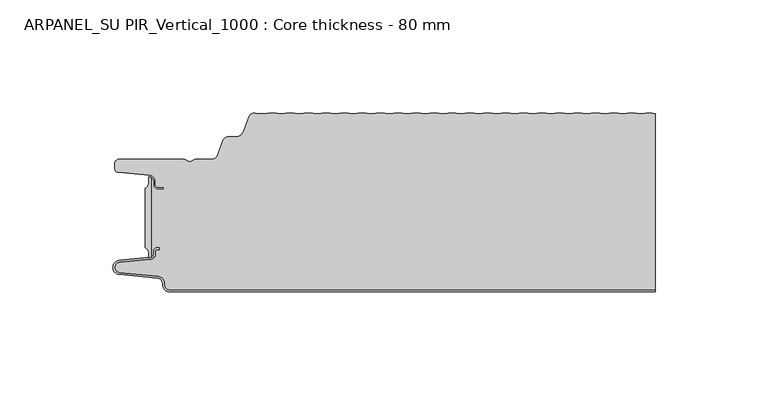
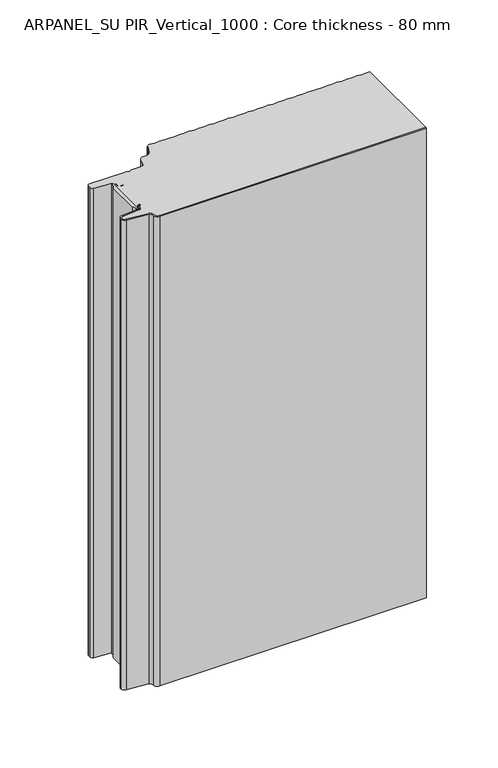
"""IFC4 building model written with IfcOpenShell, lengths in millimetres: plate geometry, ARPANEL_SU PIR_Vertical_1000 : Core thickness - 80 mm."""

from ifc_helpers import new_model, si_unit, point, frame, frame_2d, origin, origin_with_axes, place, context, project, spatial, polyline, circle_curve, trimmed, segment, composite_curve, outline, extrude, source, transform, mapped, element, save
from ifc_brep_helpers import plane_surface, cylinder_surface, revolved_surface, advanced_brep


def arpanel_su_pir_vertical_1000_core_thickness_80_mm_e4174c01(model_context):
    return source(origin(), model_context, "Body", "SolidModel", [
        extrude(outline(composite_curve([segment(polyline([(-105.6703125, -60.4998404), (-105.6703125, -34.0457975)]), True, "CONTINUOUS"), segment(trimmed(circle_curve(frame_2d((-106.6104834, -31.8050435)), 2.43), [point((-105.6703125, -34.0457975))], [point((-104.1827962, -31.6990483))], True, "CARTESIAN"), True, "CONTINUOUS"), segment(polyline([(-104.1827962, -31.6990483), (-104.1827962, -29.1072781)]), True, "CONTINUOUS"), segment(trimmed(circle_curve(frame_2d((-104.153332, -31.5658353)), 2.4587337), [point((-104.1827962, -29.1072781))], [point((-103.1249998, -29.3324736))], False, "CARTESIAN"), True, "CONTINUOUS"), segment(polyline([(-103.1249998, -29.3324736), (-103.1249998, -64.6039532)]), True, "CONTINUOUS"), segment(trimmed(circle_curve(frame_2d((-104.1687689, -62.3777641)), 2.4587337), [point((-103.1249998, -64.6039532))], [point((-104.1827962, -64.8364579))], False, "CARTESIAN"), True, "CONTINUOUS"), segment(polyline([(-104.1827962, -64.8364579), (-104.1827962, -62.8465895)]), True, "CONTINUOUS"), segment(trimmed(circle_curve(frame_2d((-106.6104834, -62.7405944)), 2.43), [point((-104.1827962, -62.8465895))], [point((-105.6703125, -60.4998404))], True, "CARTESIAN"), True, "CONTINUOUS")], self_intersect=False)), origin_with_axes(), (0.0, 0.0, 1.0), 400.0),
        advanced_brep(
        [(-94.8000003, -79.9996949, 0.0), (-97.9923632, -76.5787437, 0.0), (-100.2560431, -73.9171154, 0.0), (-117.2115315, -72.2546153, 0.0), (-119.9999998, -69.1776715, 0.0), (-117.2115315, -66.1007278, 0.0), (-103.6195785, -64.7680252, 0.0), (-101.9952277, -62.9766159, 0.0), (-101.9952277, -61.8996949, 0.0), (-100.5952277, -60.4996949, 0.0), (-99.4952277, -60.4996949, 0.0), (-99.4952277, -61.2996949, 0.0), (-100.5952277, -61.2996949, 0.0), (-101.1952277, -61.8996949, 0.0), (-101.1952277, -62.9766159, 0.0), (-103.5415122, -65.5642071, 0.0), (-117.1334652, -66.8969097, 0.0), (-119.1999997, -69.1776715, 0.0), (-117.1334652, -71.4584333, 0.0), (-100.1779767, -73.1209335, 0.0), (-97.2078761, -76.6330399, 0.0), (-94.8000003, -79.1996949, 0.0), (119.9999998, -79.2, 0.0), (119.9999998, -79.9996949, 0.0), (-94.8000003, -79.1996949, 400.0), (-97.1942724, -76.6339815, 400.0), (-100.1779767, -73.1209335, 400.0), (-117.1334652, -71.4584333, 400.0), (-119.1999997, -69.1776715, 400.0), (-117.1334652, -66.8969097, 400.0), (-103.5415122, -65.5642071, 400.0), (-101.1952277, -62.9766159, 400.0), (-101.1952277, -61.8996949, 400.0), (-100.5952277, -61.2996949, 400.0), (-99.4952277, -61.2996949, 400.0), (-99.4952277, -60.4996949, 400.0), (-100.5952277, -60.4996949, 400.0), (-101.9952277, -61.8996949, 400.0), (-101.9952277, -62.9766159, 400.0), (-103.6195785, -64.7680252, 400.0), (-117.2115315, -66.1007278, 400.0), (-119.9999998, -69.1776715, 400.0), (-117.2115315, -72.2546153, 400.0), (-100.2560431, -73.9171154, 400.0), (-98.0059668, -76.5778021, 400.0), (-94.8000003, -79.9996949, 400.0), (119.9999998, -79.9996949, 400.0), (119.9999998, -79.2, 400.0)],
        [
            (0, 1, circle_curve(frame((-94.8000003, -76.7996949, 0.0), z_axis=(0.0, 0.0, -1.0), x_axis=(1.0, 0.0, 0.0)), 3.2)),
            (1, 2, circle_curve(frame((-100.5000003, -76.4051839, 0.0), z_axis=(0.0, 0.0, 1.0), x_axis=(1.0, 0.0, 0.0)), 2.5)),
            (2, 3),
            (3, 4, circle_curve(frame((-116.9100003, -69.1793626, 0.0), z_axis=(0.0, 0.0, -1.0), x_axis=(1.0, 0.0, 0.0)), 3.09)),
            (4, 5, circle_curve(frame((-116.9100003, -69.1759805, 0.0), z_axis=(0.0, 0.0, -1.0), x_axis=(1.0, 0.0, 0.0)), 3.09)),
            (5, 6),
            (6, 7, circle_curve(frame((-103.7952277, -62.9766159, 0.0), z_axis=(0.0, 0.0, 1.0), x_axis=(1.0, 0.0, 0.0)), 1.8)),
            (7, 8),
            (8, 9, circle_curve(frame((-100.5952277, -61.8996949, 0.0), z_axis=(0.0, 0.0, -1.0), x_axis=(1.0, 0.0, 0.0)), 1.4)),
            (9, 10),
            (10, 11),
            (11, 12),
            (12, 13, circle_curve(frame((-100.5952277, -61.8996949, 0.0), z_axis=(0.0, 0.0, 1.0), x_axis=(1.0, 0.0, 0.0)), 0.6)),
            (13, 14),
            (14, 15, circle_curve(frame((-103.7952277, -62.9766159, 0.0), z_axis=(0.0, 0.0, -1.0), x_axis=(1.0, 0.0, 0.0)), 2.6)),
            (15, 16),
            (16, 17, circle_curve(frame((-116.9100003, -69.1759805, 0.0), z_axis=(0.0, 0.0, 1.0), x_axis=(1.0, 0.0, 0.0)), 2.29)),
            (17, 18, circle_curve(frame((-116.9100003, -69.1793626, 0.0), z_axis=(0.0, 0.0, 1.0), x_axis=(1.0, 0.0, 0.0)), 2.29)),
            (18, 19),
            (19, 20, circle_curve(frame((-100.5000003, -76.4051839, 0.0), z_axis=(0.0, 0.0, -1.0), x_axis=(1.0, 0.0, 0.0)), 3.3)),
            (20, 21, circle_curve(frame((-94.8000003, -76.7996949, 0.0), z_axis=(0.0, 0.0, 1.0), x_axis=(1.0, 0.0, 0.0)), 2.4)),
            (21, 22),
            (22, 23),
            (23, 0),
            (24, 25, circle_curve(frame((-94.8000003, -76.7996949, 400.0), z_axis=(0.0, 0.0, -1.0), x_axis=(1.0, 0.0, 0.0)), 2.4)),
            (25, 26, circle_curve(frame((-100.5000003, -76.4051839, 400.0), z_axis=(0.0, 0.0, 1.0), x_axis=(1.0, 0.0, 0.0)), 3.3)),
            (26, 27),
            (27, 28, circle_curve(frame((-116.9100003, -69.1793626, 400.0), z_axis=(0.0, 0.0, -1.0), x_axis=(1.0, 0.0, 0.0)), 2.29)),
            (28, 29, circle_curve(frame((-116.9100003, -69.1759805, 400.0), z_axis=(0.0, 0.0, -1.0), x_axis=(1.0, 0.0, 0.0)), 2.29)),
            (29, 30),
            (30, 31, circle_curve(frame((-103.7952277, -62.9766159, 400.0), z_axis=(0.0, 0.0, 1.0), x_axis=(1.0, 0.0, 0.0)), 2.6)),
            (31, 32),
            (32, 33, circle_curve(frame((-100.5952277, -61.8996949, 400.0), z_axis=(0.0, 0.0, -1.0), x_axis=(1.0, 0.0, 0.0)), 0.6)),
            (33, 34),
            (34, 35),
            (35, 36),
            (36, 37, circle_curve(frame((-100.5952277, -61.8996949, 400.0), z_axis=(0.0, 0.0, 1.0), x_axis=(1.0, 0.0, 0.0)), 1.4)),
            (37, 38),
            (38, 39, circle_curve(frame((-103.7952277, -62.9766159, 400.0), z_axis=(0.0, 0.0, -1.0), x_axis=(1.0, 0.0, 0.0)), 1.8)),
            (39, 40),
            (40, 41, circle_curve(frame((-116.9100003, -69.1759805, 400.0), z_axis=(0.0, 0.0, 1.0), x_axis=(1.0, 0.0, 0.0)), 3.09)),
            (41, 42, circle_curve(frame((-116.9100003, -69.1793626, 400.0), z_axis=(0.0, 0.0, 1.0), x_axis=(1.0, 0.0, 0.0)), 3.09)),
            (42, 43),
            (43, 44, circle_curve(frame((-100.5000003, -76.4051839, 400.0), z_axis=(0.0, 0.0, -1.0), x_axis=(1.0, 0.0, 0.0)), 2.5)),
            (44, 45, circle_curve(frame((-94.8000003, -76.7996949, 400.0), z_axis=(0.0, 0.0, 1.0), x_axis=(1.0, 0.0, 0.0)), 3.2)),
            (45, 46),
            (46, 47),
            (47, 24),
            (21, 24),
            (47, 22),
            (20, 25),
            (19, 26),
            (18, 27),
            (17, 28),
            (16, 29),
            (15, 30),
            (14, 31),
            (13, 32),
            (12, 33),
            (11, 34),
            (10, 35),
            (9, 36),
            (8, 37),
            (7, 38),
            (6, 39),
            (5, 40),
            (4, 41),
            (3, 42),
            (2, 43),
            (1, 44),
            (0, 45),
            (23, 46),
        ],
        [
            plane_surface(frame((-119.9999998, -80.0, 0.0), z_axis=(0.0, 0.0, -1.0), x_axis=(0.0, 1.0, 0.0))),
            plane_surface(frame((-119.9999998, -80.0, 400.0), z_axis=(0.0, 0.0, 1.0), x_axis=(0.0, 1.0, 0.0))),
            plane_surface(frame((-94.8000003, -79.2, 0.0), z_axis=(0.0, 1.0, 0.0), x_axis=(0.0, 0.0, 1.0))),
            revolved_surface(polyline([(-92.40000029999999, -76.7996949, 400.0), (-92.40000029999999, -76.7996949, 0.0)]), (-94.8000003, -76.7996949, 0.0), (0.0, 0.0, 1.0)),
            cylinder_surface(frame((-100.5000003, -76.4051839, 0.0), z_axis=(0.0, 0.0, -1.0), x_axis=(1.0, 0.0, 0.0)), 3.3),
            plane_surface(frame((-117.1334652, -71.4584333, 0.0), z_axis=(0.09758289975914758, 0.9952273999818314, 0.0), x_axis=(0.0, 0.0, 1.0))),
            revolved_surface(polyline([(-114.62000029999999, -69.1793626, 400.0), (-114.62000029999999, -69.1793626, 0.0)]), (-116.9100003, -69.1793626, 0.0), (0.0, 0.0, 1.0)),
            revolved_surface(polyline([(-114.62000029999999, -69.1759805, 400.0), (-114.62000029999999, -69.1759805, 0.0)]), (-116.9100003, -69.1759805, 0.0), (0.0, 0.0, 1.0)),
            plane_surface(frame((-103.5415122, -65.5642071, 0.0), z_axis=(0.09758289975914383, -0.9952273999818317, 0.0), x_axis=(0.0, 0.0, 1.0))),
            cylinder_surface(frame((-103.7952277, -62.9766159, 0.0), z_axis=(0.0, 0.0, -1.0), x_axis=(1.0, 0.0, 0.0)), 2.6),
            plane_surface(frame((-101.1952277, -61.8996949, 0.0), z_axis=(1.0, 0.0, 0.0), x_axis=(0.0, 0.0, 1.0))),
            revolved_surface(polyline([(-99.9952277, -61.8996949, 400.0), (-99.9952277, -61.8996949, 0.0)]), (-100.5952277, -61.8996949, 0.0), (0.0, 0.0, 1.0)),
            plane_surface(frame((-99.4952277, -61.2996949, 0.0), z_axis=(0.0, -1.0, 0.0), x_axis=(0.0, 0.0, 1.0))),
            plane_surface(frame((-99.4952277, -60.4996949, 0.0), z_axis=(1.0, 0.0, 0.0), x_axis=(0.0, 0.0, 1.0))),
            plane_surface(frame((-100.5952277, -60.4996949, 0.0), z_axis=(0.0, 1.0, 0.0), x_axis=(0.0, 0.0, 1.0))),
            cylinder_surface(frame((-100.5952277, -61.8996949, 0.0), z_axis=(0.0, 0.0, -1.0), x_axis=(1.0, 0.0, 0.0)), 1.4),
            plane_surface(frame((-101.9952277, -62.9766159, 0.0), z_axis=(-1.0, 0.0, 0.0), x_axis=(0.0, 0.0, 1.0))),
            revolved_surface(polyline([(-101.9952277, -62.9766159, 400.0), (-101.9952277, -62.9766159, 0.0)]), (-103.7952277, -62.9766159, 0.0), (0.0, 0.0, 1.0)),
            plane_surface(frame((-117.2115315, -66.1007278, 0.0), z_axis=(-0.09758289975914387, 0.9952273999818317, 0.0), x_axis=(0.0, 0.0, 1.0))),
            cylinder_surface(frame((-116.9100003, -69.1759805, 0.0), z_axis=(0.0, 0.0, -1.0), x_axis=(1.0, 0.0, 0.0)), 3.09),
            cylinder_surface(frame((-116.9100003, -69.1793626, 0.0), z_axis=(0.0, 0.0, -1.0), x_axis=(1.0, 0.0, 0.0)), 3.09),
            plane_surface(frame((-100.2560431, -73.9171154, 0.0), z_axis=(-0.09758289975914762, -0.9952273999818314, 0.0), x_axis=(0.0, 0.0, 1.0))),
            revolved_surface(polyline([(-98.0000003, -76.4051839, 400.0), (-98.0000003, -76.4051839, 0.0)]), (-100.5000003, -76.4051839, 0.0), (0.0, 0.0, 1.0)),
            cylinder_surface(frame((-94.8000003, -76.7996949, 0.0), z_axis=(0.0, 0.0, -1.0), x_axis=(1.0, 0.0, 0.0)), 3.2),
            plane_surface(frame((895.8951806, -79.9996949, 0.0), z_axis=(0.0, -1.0, 0.0), x_axis=(0.0, 0.0, 1.0))),
            plane_surface(frame((119.9999998, 180.0, 400.0), z_axis=(1.0, 0.0, 0.0), x_axis=(0.0, 0.0, -1.0))),
        ],
        [
            (0, [[1, 2, 3, 4, 5, 6, 7, 8, 9, 10, 11, 12, 13, 14, 15, 16, 17, 18, 19, 20, 21, 22, 23, 24]]),
            (1, [[25, 26, 27, 28, 29, 30, 31, 32, 33, 34, 35, 36, 37, 38, 39, 40, 41, 42, 43, 44, 45, 46, 47, 48]]),
            (2, [[49, -48, 50, -22]]),
            (3, [[-21, 51, -25, -49]]),
            (4, [[-20, 52, -26, -51]]),
            (5, [[-19, 53, -27, -52]]),
            (6, [[-18, 54, -28, -53]]),
            (7, [[-17, 55, -29, -54]]),
            (8, [[-16, 56, -30, -55]]),
            (9, [[-15, 57, -31, -56]]),
            (10, [[-14, 58, -32, -57]]),
            (11, [[-13, 59, -33, -58]]),
            (12, [[-12, 60, -34, -59]]),
            (13, [[-11, 61, -35, -60]]),
            (14, [[-10, 62, -36, -61]]),
            (15, [[-9, 63, -37, -62]]),
            (16, [[-8, 64, -38, -63]]),
            (17, [[-7, 65, -39, -64]]),
            (18, [[-6, 66, -40, -65]]),
            (19, [[-5, 67, -41, -66]]),
            (20, [[-4, 68, -42, -67]]),
            (21, [[-3, 69, -43, -68]]),
            (22, [[-2, 70, -44, -69]]),
            (23, [[-1, 71, -45, -70]]),
            (24, [[-71, -24, 72, -46]]),
            (25, [[-23, -50, -47, -72]]),
        ],
    ),
        advanced_brep(
        [(-45.4209945, -1.2401608, 400.0), (-49.3959945, -0.7842469, 400.0), (-53.3709945, -1.2401608, 400.0), (-56.974295, -0.8268791, 400.0), (-59.9575556, -2.6832307, 400.0), (-62.1915348, -8.821038, 400.0), (-65.8165278, -11.3209755, 400.0), (-68.7504363, -11.3209755, 400.0), (-71.4097075, -13.1828966, 400.0), (-73.7017226, -19.4789642, 400.0), (-76.3328037, -21.3211477, 400.0), (-83.355028, -21.3211477, 400.0), (-84.4794723, -21.7461477, 400.0), (-87.5220864, -21.7461477, 400.0), (-88.6465307, -21.3211477, 400.0), (-117.3699998, -21.3211477, 400.0), (-119.1999998, -23.1511477, 400.0), (-119.1999998, -25.314536, 400.0), (-117.5294949, -27.1375723, 400.0), (-103.7559637, -28.3426003, 400.0), (-101.1999998, -31.1319454, 400.0), (-101.1999998, -32.5211477, 400.0), (-99.9999998, -33.7211477, 400.0), (-97.4999998, -33.7211477, 400.0), (-97.4999998, -34.5211477, 400.0), (-99.9999998, -34.5211477, 400.0), (-101.9999998, -32.5211477, 400.0), (-101.9999998, -31.1319454, 400.0), (-103.1249998, -29.3335086, 400.0), (-103.1249998, -64.647183, 400.0), (-101.9952277, -62.9766159, 400.0), (-101.9952277, -61.8996949, 400.0), (-100.5952277, -60.4996949, 400.0), (-99.4952277, -60.4996949, 400.0), (-99.4952277, -61.2996949, 400.0), (-100.5952277, -61.2996949, 400.0), (-101.1952277, -61.8996949, 400.0), (-101.1952277, -62.9766159, 400.0), (-103.5415122, -65.5642071, 400.0), (-117.1334652, -66.8969097, 400.0), (-119.1999997, -69.1776715, 400.0), (-117.1334652, -71.4584333, 400.0), (-100.1779767, -73.1209335, 400.0), (-97.2078761, -76.6330399, 400.0), (-94.8000003, -79.1996949, 400.0), (119.9999998, -79.2, 400.0), (119.9999998, -1.064791, 400.0), (117.5540055, -0.7842469, 400.0), (113.5790055, -1.2401608, 400.0), (109.6040055, -0.7842469, 400.0), (105.6290055, -1.2401608, 400.0), (101.6540055, -0.7842469, 400.0), (97.6790055, -1.2401608, 400.0), (93.7040055, -0.7842469, 400.0), (89.7290055, -1.2401608, 400.0), (85.7540055, -0.7842469, 400.0), (81.7790055, -1.2401608, 400.0), (77.8040055, -0.7842469, 400.0), (73.8290055, -1.2401608, 400.0), (69.8540055, -0.7842469, 400.0), (65.8790055, -1.2401608, 400.0), (61.9040055, -0.7842469, 400.0), (57.9290055, -1.2401608, 400.0), (53.9540055, -0.7842469, 400.0), (49.9790055, -1.2401608, 400.0), (46.0040055, -0.7842469, 400.0), (42.0290055, -1.2401608, 400.0), (38.0540055, -0.7842469, 400.0), (34.0790055, -1.2401608, 400.0), (30.1040055, -0.7842469, 400.0), (26.1290055, -1.2401608, 400.0), (22.1540055, -0.7842469, 400.0), (18.1790055, -1.2401608, 400.0), (14.2040055, -0.7842469, 400.0), (10.2290055, -1.2401608, 400.0), (6.2540055, -0.7842469, 400.0), (2.2790055, -1.2401608, 400.0), (-1.6959945, -0.7842469, 400.0), (-5.6709945, -1.2401608, 400.0), (-9.6459945, -0.7842469, 400.0), (-13.6209945, -1.2401608, 400.0), (-17.5959945, -0.7842469, 400.0), (-21.5709945, -1.2401608, 400.0), (-25.5459945, -0.7842469, 400.0), (-29.5209945, -1.2401608, 400.0), (-33.4959945, -0.7842469, 400.0), (-37.4709945, -1.2401608, 400.0), (-41.4459945, -0.7842469, 400.0), (-49.3959945, -0.7842469, 0.0), (-45.4209945, -1.2401608, 0.0), (-41.4459945, -0.7842469, 0.0), (-37.4709945, -1.2401608, 0.0), (-33.4959945, -0.7842469, 0.0), (-29.5209945, -1.2401608, 0.0), (-25.5459945, -0.7842469, 0.0), (-21.5709945, -1.2401608, 0.0), (-17.5959945, -0.7842469, 0.0), (-13.6209945, -1.2401608, 0.0), (-9.6459945, -0.7842469, 0.0), (-5.6709945, -1.2401608, 0.0), (-1.6959945, -0.7842469, 0.0), (2.2790055, -1.2401608, 0.0), (6.2540055, -0.7842469, 0.0), (10.2290055, -1.2401608, 0.0), (14.2040055, -0.7842469, 0.0), (18.1790055, -1.2401608, 0.0), (22.1540055, -0.7842469, 0.0), (26.1290055, -1.2401608, 0.0), (30.1040055, -0.7842469, 0.0), (34.0790055, -1.2401608, 0.0), (38.0540055, -0.7842469, 0.0), (42.0290055, -1.2401608, 0.0), (46.0040055, -0.7842469, 0.0), (49.9790055, -1.2401608, 0.0), (53.9540055, -0.7842469, 0.0), (57.9290055, -1.2401608, 0.0), (61.9040055, -0.7842469, 0.0), (65.8790055, -1.2401608, 0.0), (69.8540055, -0.7842469, 0.0), (73.8290055, -1.2401608, 0.0), (77.8040055, -0.7842469, 0.0), (81.7790055, -1.2401608, 0.0), (85.7540055, -0.7842469, 0.0), (89.7290055, -1.2401608, 0.0), (93.7040055, -0.7842469, 0.0), (97.6790055, -1.2401608, 0.0), (101.6540055, -0.7842469, 0.0), (105.6290055, -1.2401608, 0.0), (109.6040055, -0.7842469, 0.0), (113.5790055, -1.2401608, 0.0), (117.5540055, -0.7842469, 0.0), (119.9999998, -1.064791, 0.0), (119.9999998, -79.2, 0.0), (-94.8000003, -79.2, 0.0), (-97.1942724, -76.6339815, 0.0), (-100.1779767, -73.1209335, 0.0), (-117.1334652, -71.4584333, 0.0), (-119.1999997, -69.1776715, 0.0), (-117.1334652, -66.8969097, 0.0), (-103.5415122, -65.5642071, 0.0), (-101.1952277, -62.9766159, 0.0), (-101.1952277, -61.8996949, 0.0), (-100.5952277, -61.2996949, 0.0), (-99.4952277, -61.2996949, 0.0), (-99.4952277, -60.4996949, 0.0), (-100.5952277, -60.4996949, 0.0), (-101.9952277, -61.8996949, 0.0), (-101.9952277, -62.9766159, 0.0), (-103.1249998, -64.647183, 0.0), (-103.1249998, -29.3335086, 0.0), (-101.9999998, -31.1319454, 0.0), (-101.9999998, -32.5211477, 0.0), (-99.9999998, -34.5211477, 0.0), (-97.4999998, -34.5211477, 0.0), (-97.4999998, -33.7211477, 0.0), (-99.9999998, -33.7211477, 0.0), (-101.1999998, -32.5211477, 0.0), (-101.1999998, -31.1319454, 0.0), (-103.7559637, -28.3426003, 0.0), (-117.5294949, -27.1375723, 0.0), (-119.1999998, -25.314536, 0.0), (-119.1999998, -23.1511477, 0.0), (-117.3699998, -21.3211477, 0.0), (-88.6465307, -21.3211477, 0.0), (-87.5220864, -21.7461477, 0.0), (-84.4794723, -21.7461477, 0.0), (-83.355028, -21.3211477, 0.0), (-76.3328037, -21.3211477, 0.0), (-73.7017226, -19.4789642, 0.0), (-71.4097075, -13.1828966, 0.0), (-68.7504363, -11.3209755, 0.0), (-65.8165278, -11.3209755, 0.0), (-62.1915348, -8.821038, 0.0), (-59.9575556, -2.6832307, 0.0), (-56.9757518, -0.8395804, 0.0), (-53.3709945, -1.2401608, 0.0)],
        [
            (0, 1),
            (1, 2),
            (2, 3),
            (3, 4, circle_curve(frame((-57.2982255, -3.6511477, 400.0), z_axis=(0.0, 0.0, 1.0), x_axis=(1.0, 0.0, 0.0)), 2.83)),
            (4, 5),
            (5, 6, circle_curve(frame((-65.7623667, -7.5213615, 400.0), z_axis=(0.0, 0.0, -1.0), x_axis=(1.0, 0.0, 0.0)), 3.8)),
            (6, 7),
            (7, 8, circle_curve(frame((-68.7504363, -14.1509755, 400.0), z_axis=(0.0, 0.0, 1.0), x_axis=(1.0, 0.0, 0.0)), 2.83)),
            (8, 9),
            (9, 10, circle_curve(frame((-76.3328037, -18.5211477, 400.0), z_axis=(0.0, 0.0, -1.0), x_axis=(1.0, 0.0, 0.0)), 2.8)),
            (10, 11),
            (11, 12, circle_curve(frame((-83.355028, -23.0211477, 400.0), z_axis=(0.0, 0.0, 1.0), x_axis=(1.0, 0.0, 0.0)), 1.7)),
            (12, 13, circle_curve(frame((-86.0007794, -20.0211477, 400.0), z_axis=(0.0, 0.0, -1.0), x_axis=(1.0, 0.0, 0.0)), 2.3)),
            (13, 14, circle_curve(frame((-88.6465307, -23.0211477, 400.0), z_axis=(0.0, 0.0, 1.0), x_axis=(1.0, 0.0, 0.0)), 1.7)),
            (14, 15),
            (15, 16, circle_curve(frame((-117.3699998, -23.1511477, 400.0), z_axis=(0.0, 0.0, 1.0), x_axis=(1.0, 0.0, 0.0)), 1.83)),
            (16, 17),
            (17, 18, circle_curve(frame((-117.3699998, -25.314536, 400.0), z_axis=(0.0, 0.0, 1.0), x_axis=(1.0, 0.0, 0.0)), 1.83)),
            (18, 19),
            (19, 20, circle_curve(frame((-103.9999998, -31.1319454, 400.0), z_axis=(0.0, 0.0, -1.0), x_axis=(1.0, 0.0, 0.0)), 2.8)),
            (20, 21),
            (21, 22, circle_curve(frame((-99.9999998, -32.5211477, 400.0), z_axis=(0.0, 0.0, 1.0), x_axis=(1.0, 0.0, 0.0)), 1.2)),
            (22, 23),
            (23, 24),
            (24, 25),
            (25, 26, circle_curve(frame((-99.9999998, -32.5211477, 400.0), z_axis=(0.0, 0.0, -1.0), x_axis=(1.0, 0.0, 0.0)), 2.0)),
            (26, 27),
            (27, 28, circle_curve(frame((-103.9999998, -31.1319454, 400.0), z_axis=(0.0, 0.0, 1.0), x_axis=(1.0, 0.0, 0.0)), 2.0)),
            (28, 29),
            (29, 30, circle_curve(frame((-103.7952277, -62.9766159, 400.0), z_axis=(0.0, 0.0, 1.0), x_axis=(1.0, 0.0, 0.0)), 1.8)),
            (30, 31),
            (31, 32, circle_curve(frame((-100.5952277, -61.8996949, 400.0), z_axis=(0.0, 0.0, -1.0), x_axis=(1.0, 0.0, 0.0)), 1.4)),
            (32, 33),
            (33, 34),
            (34, 35),
            (35, 36, circle_curve(frame((-100.5952277, -61.8996949, 400.0), z_axis=(0.0, 0.0, 1.0), x_axis=(1.0, 0.0, 0.0)), 0.6)),
            (36, 37),
            (37, 38, circle_curve(frame((-103.7952277, -62.9766159, 400.0), z_axis=(0.0, 0.0, -1.0), x_axis=(1.0, 0.0, 0.0)), 2.6)),
            (38, 39),
            (39, 40, circle_curve(frame((-116.9100003, -69.1759805, 400.0), z_axis=(0.0, 0.0, 1.0), x_axis=(1.0, 0.0, 0.0)), 2.29)),
            (40, 41, circle_curve(frame((-116.9100003, -69.1793626, 400.0), z_axis=(0.0, 0.0, 1.0), x_axis=(1.0, 0.0, 0.0)), 2.29)),
            (41, 42),
            (42, 43, circle_curve(frame((-100.5000003, -76.4051839, 400.0), z_axis=(0.0, 0.0, -1.0), x_axis=(1.0, 0.0, 0.0)), 3.3)),
            (43, 44, circle_curve(frame((-94.8000003, -76.7996949, 400.0), z_axis=(0.0, 0.0, 1.0), x_axis=(1.0, 0.0, 0.0)), 2.4)),
            (44, 45),
            (45, 46),
            (46, 47),
            (47, 48),
            (48, 49),
            (49, 50),
            (50, 51),
            (51, 52),
            (52, 53),
            (53, 54),
            (54, 55),
            (55, 56),
            (56, 57),
            (57, 58),
            (58, 59),
            (59, 60),
            (60, 61),
            (61, 62),
            (62, 63),
            (63, 64),
            (64, 65),
            (65, 66),
            (66, 67),
            (67, 68),
            (68, 69),
            (69, 70),
            (70, 71),
            (71, 72),
            (72, 73),
            (73, 74),
            (74, 75),
            (75, 76),
            (76, 77),
            (77, 78),
            (78, 79),
            (79, 80),
            (80, 81),
            (81, 82),
            (82, 83),
            (83, 84),
            (84, 85),
            (85, 86),
            (86, 87),
            (87, 0),
            (88, 89),
            (89, 90),
            (90, 91),
            (91, 92),
            (92, 93),
            (93, 94),
            (94, 95),
            (95, 96),
            (96, 97),
            (97, 98),
            (98, 99),
            (99, 100),
            (100, 101),
            (101, 102),
            (102, 103),
            (103, 104),
            (104, 105),
            (105, 106),
            (106, 107),
            (107, 108),
            (108, 109),
            (109, 110),
            (110, 111),
            (111, 112),
            (112, 113),
            (113, 114),
            (114, 115),
            (115, 116),
            (116, 117),
            (117, 118),
            (118, 119),
            (119, 120),
            (120, 121),
            (121, 122),
            (122, 123),
            (123, 124),
            (124, 125),
            (125, 126),
            (126, 127),
            (127, 128),
            (128, 129),
            (129, 130),
            (130, 131),
            (131, 132),
            (132, 133),
            (133, 134, circle_curve(frame((-94.8000003, -76.7996949, 0.0), z_axis=(0.0, 0.0, -1.0), x_axis=(1.0, 0.0, 0.0)), 2.4)),
            (134, 135, circle_curve(frame((-100.5000003, -76.4051839, 0.0), z_axis=(0.0, 0.0, 1.0), x_axis=(1.0, 0.0, 0.0)), 3.3)),
            (135, 136),
            (136, 137, circle_curve(frame((-116.9100003, -69.1793626, 0.0), z_axis=(0.0, 0.0, -1.0), x_axis=(1.0, 0.0, 0.0)), 2.29)),
            (137, 138, circle_curve(frame((-116.9100003, -69.1759805, 0.0), z_axis=(0.0, 0.0, -1.0), x_axis=(1.0, 0.0, 0.0)), 2.29)),
            (138, 139),
            (139, 140, circle_curve(frame((-103.7952277, -62.9766159, 0.0), z_axis=(0.0, 0.0, 1.0), x_axis=(1.0, 0.0, 0.0)), 2.6)),
            (140, 141),
            (141, 142, circle_curve(frame((-100.5952277, -61.8996949, 0.0), z_axis=(0.0, 0.0, -1.0), x_axis=(1.0, 0.0, 0.0)), 0.6)),
            (142, 143),
            (143, 144),
            (144, 145),
            (145, 146, circle_curve(frame((-100.5952277, -61.8996949, 0.0), z_axis=(0.0, 0.0, 1.0), x_axis=(1.0, 0.0, 0.0)), 1.4)),
            (146, 147),
            (147, 148, circle_curve(frame((-103.7952277, -62.9766159, 0.0), z_axis=(0.0, 0.0, -1.0), x_axis=(1.0, 0.0, 0.0)), 1.8)),
            (148, 149),
            (149, 150, circle_curve(frame((-103.9999998, -31.1319454, 0.0), z_axis=(0.0, 0.0, -1.0), x_axis=(1.0, 0.0, 0.0)), 2.0)),
            (150, 151),
            (151, 152, circle_curve(frame((-99.9999998, -32.5211477, 0.0), z_axis=(0.0, 0.0, 1.0), x_axis=(1.0, 0.0, 0.0)), 2.0)),
            (152, 153),
            (153, 154),
            (154, 155),
            (155, 156, circle_curve(frame((-99.9999998, -32.5211477, 0.0), z_axis=(0.0, 0.0, -1.0), x_axis=(1.0, 0.0, 0.0)), 1.2)),
            (156, 157),
            (157, 158, circle_curve(frame((-103.9999998, -31.1319454, 0.0), z_axis=(0.0, 0.0, 1.0), x_axis=(1.0, 0.0, 0.0)), 2.8)),
            (158, 159),
            (159, 160, circle_curve(frame((-117.3699998, -25.314536, 0.0), z_axis=(0.0, 0.0, -1.0), x_axis=(1.0, 0.0, 0.0)), 1.83)),
            (160, 161),
            (161, 162, circle_curve(frame((-117.3699998, -23.1511477, 0.0), z_axis=(0.0, 0.0, -1.0), x_axis=(1.0, 0.0, 0.0)), 1.83)),
            (162, 163),
            (163, 164, circle_curve(frame((-88.6465307, -23.0211477, 0.0), z_axis=(0.0, 0.0, -1.0), x_axis=(1.0, 0.0, 0.0)), 1.7)),
            (164, 165, circle_curve(frame((-86.0007794, -20.0211477, 0.0), z_axis=(0.0, 0.0, 1.0), x_axis=(1.0, 0.0, 0.0)), 2.3)),
            (165, 166, circle_curve(frame((-83.355028, -23.0211477, 0.0), z_axis=(0.0, 0.0, -1.0), x_axis=(1.0, 0.0, 0.0)), 1.7)),
            (166, 167),
            (167, 168, circle_curve(frame((-76.3328037, -18.5211477, 0.0), z_axis=(0.0, 0.0, 1.0), x_axis=(1.0, 0.0, 0.0)), 2.8)),
            (168, 169),
            (169, 170, circle_curve(frame((-68.7504363, -14.1509755, 0.0), z_axis=(0.0, 0.0, -1.0), x_axis=(1.0, 0.0, 0.0)), 2.83)),
            (170, 171),
            (171, 172, circle_curve(frame((-65.7623667, -7.5213615, 0.0), z_axis=(0.0, 0.0, 1.0), x_axis=(1.0, 0.0, 0.0)), 3.8)),
            (172, 173),
            (173, 174, circle_curve(frame((-57.2982255, -3.6511477, 0.0), z_axis=(0.0, 0.0, -1.0), x_axis=(1.0, 0.0, 0.0)), 2.83)),
            (174, 175),
            (175, 88),
            (28, 149),
            (148, 29),
            (44, 133),
            (132, 45),
            (43, 134),
            (42, 135),
            (41, 136),
            (40, 137),
            (39, 138),
            (38, 139),
            (37, 140),
            (36, 141),
            (35, 142),
            (34, 143),
            (33, 144),
            (32, 145),
            (31, 146),
            (30, 147),
            (131, 46),
            (88, 1),
            (0, 89),
            (87, 90),
            (86, 91),
            (85, 92),
            (84, 93),
            (83, 94),
            (82, 95),
            (81, 96),
            (80, 97),
            (79, 98),
            (78, 99),
            (77, 100),
            (76, 101),
            (75, 102),
            (74, 103),
            (73, 104),
            (72, 105),
            (71, 106),
            (70, 107),
            (69, 108),
            (68, 109),
            (67, 110),
            (66, 111),
            (65, 112),
            (64, 113),
            (63, 114),
            (62, 115),
            (61, 116),
            (60, 117),
            (59, 118),
            (58, 119),
            (57, 120),
            (56, 121),
            (55, 122),
            (54, 123),
            (53, 124),
            (52, 125),
            (51, 126),
            (50, 127),
            (49, 128),
            (48, 129),
            (47, 130),
            (151, 26),
            (25, 152),
            (24, 153),
            (23, 154),
            (22, 155),
            (21, 156),
            (20, 157),
            (19, 158),
            (18, 159),
            (17, 160),
            (16, 161),
            (15, 162),
            (14, 163),
            (13, 164),
            (12, 165),
            (11, 166),
            (10, 167),
            (9, 168),
            (8, 169),
            (7, 170),
            (6, 171),
            (5, 172),
            (4, 173),
            (3, 174),
            (2, 175),
            (27, 150),
        ],
        [
            plane_surface(frame((-119.9999998, 0.0, 400.0), z_axis=(0.0, 0.0, 1.0), x_axis=(0.0, -1.0, 0.0))),
            plane_surface(frame((-119.9999998, 0.0, 0.0), z_axis=(0.0, 0.0, -1.0), x_axis=(0.0, -1.0, 0.0))),
            plane_surface(frame((-103.1249998, -28.75, 400.0), z_axis=(-1.0, 0.0, 0.0), x_axis=(0.0, 0.0, -1.0))),
            plane_surface(frame((895.8952276, -79.2, 530.0), z_axis=(0.0, -1.0, 0.0), x_axis=(0.0, 0.0, -1.0))),
            cylinder_surface(frame((-94.8000003, -76.7996949, 530.0), z_axis=(0.0, 0.0, -1.0), x_axis=(1.0, 0.0, 0.0)), 2.4),
            revolved_surface(polyline([(-97.2000003, -76.4051839, 400.0), (-97.2000003, -76.4051839, 0.0)]), (-100.5000003, -76.4051839, 530.0), (0.0, 0.0, 1.0)),
            plane_surface(frame((-100.1779767, -73.1209335, 530.0), z_axis=(-0.09758289975914758, -0.9952273999818314, 0.0), x_axis=(0.0, 0.0, -1.0))),
            cylinder_surface(frame((-116.9100003, -69.1793626, 530.0), z_axis=(0.0, 0.0, -1.0), x_axis=(1.0, 0.0, 0.0)), 2.29),
            cylinder_surface(frame((-116.9100003, -69.1759805, 530.0), z_axis=(0.0, 0.0, -1.0), x_axis=(1.0, 0.0, 0.0)), 2.29),
            plane_surface(frame((-117.1334652, -66.8969097, 530.0), z_axis=(-0.09758289975914383, 0.9952273999818317, 0.0), x_axis=(0.0, 0.0, -1.0))),
            revolved_surface(polyline([(-101.1952277, -62.9766159, 400.0), (-101.1952277, -62.9766159, 0.0)]), (-103.7952277, -62.9766159, 530.0), (0.0, 0.0, 1.0)),
            plane_surface(frame((-101.1952277, -62.9766159, 530.0), z_axis=(-1.0, 0.0, 0.0), x_axis=(0.0, 0.0, -1.0))),
            cylinder_surface(frame((-100.5952277, -61.8996949, 530.0), z_axis=(0.0, 0.0, -1.0), x_axis=(1.0, 0.0, 0.0)), 0.6),
            plane_surface(frame((-100.5952277, -61.2996949, 530.0), z_axis=(0.0, 1.0, 0.0), x_axis=(0.0, 0.0, -1.0))),
            plane_surface(frame((-99.4952277, -61.2996949, 530.0), z_axis=(-1.0, 0.0, 0.0), x_axis=(0.0, 0.0, -1.0))),
            plane_surface(frame((-99.4952277, -60.4996949, 530.0), z_axis=(0.0, -1.0, 0.0), x_axis=(0.0, 0.0, -1.0))),
            revolved_surface(polyline([(-99.19522769999999, -61.8996949, 400.0), (-99.19522769999999, -61.8996949, 0.0)]), (-100.5952277, -61.8996949, 530.0), (0.0, 0.0, 1.0)),
            plane_surface(frame((-101.9952277, -61.8996949, 530.0), z_axis=(1.0, 0.0, 0.0), x_axis=(0.0, 0.0, -1.0))),
            cylinder_surface(frame((-103.7952277, -62.9766159, 530.0), z_axis=(0.0, 0.0, -1.0), x_axis=(1.0, 0.0, 0.0)), 1.8),
            plane_surface(frame((119.9999998, 180.0, 400.0), z_axis=(1.0, 0.0, 0.0), x_axis=(0.0, 0.0, -1.0))),
            plane_surface(frame((-49.3959945, -0.7842469, 530.0), z_axis=(0.1139482930581638, 0.9934866815962511, 0.0), x_axis=(0.0, 0.0, -1.0))),
            plane_surface(frame((-45.4209945, -1.2401608, 530.0), z_axis=(-0.11394829338954408, 0.9934866815582434, 0.0), x_axis=(0.0, 0.0, -1.0))),
            plane_surface(frame((-41.4459945, -0.7842469, 530.0), z_axis=(0.11394829338946497, 0.9934866815582525, 0.0), x_axis=(0.0, 0.0, -1.0))),
            plane_surface(frame((-37.4709945, -1.2401608, 530.0), z_axis=(-0.11394829305824292, 0.9934866815962421, 0.0), x_axis=(0.0, 0.0, -1.0))),
            plane_surface(frame((-33.4959945, -0.7842469, 530.0), z_axis=(0.1139482930581638, 0.9934866815962511, 0.0), x_axis=(0.0, 0.0, -1.0))),
            plane_surface(frame((-29.5209945, -1.2401608, 530.0), z_axis=(-0.11394829338954408, 0.9934866815582434, 0.0), x_axis=(0.0, 0.0, -1.0))),
            plane_surface(frame((-25.5459945, -0.7842469, 530.0), z_axis=(0.11394829338946497, 0.9934866815582525, 0.0), x_axis=(0.0, 0.0, -1.0))),
            plane_surface(frame((-21.5709945, -1.2401608, 530.0), z_axis=(-0.11394829305824292, 0.9934866815962421, 0.0), x_axis=(0.0, 0.0, -1.0))),
            plane_surface(frame((-17.5959945, -0.7842469, 530.0), z_axis=(0.1139482930581638, 0.9934866815962511, 0.0), x_axis=(0.0, 0.0, -1.0))),
            plane_surface(frame((-13.6209945, -1.2401608, 530.0), z_axis=(-0.11394829338954408, 0.9934866815582434, 0.0), x_axis=(0.0, 0.0, -1.0))),
            plane_surface(frame((-9.6459945, -0.7842469, 530.0), z_axis=(0.11394829338946497, 0.9934866815582525, 0.0), x_axis=(0.0, 0.0, -1.0))),
            plane_surface(frame((-5.6709945, -1.2401608, 530.0), z_axis=(-0.11394829305824292, 0.9934866815962421, 0.0), x_axis=(0.0, 0.0, -1.0))),
            plane_surface(frame((-1.6959945, -0.7842469, 530.0), z_axis=(0.1139482930581638, 0.9934866815962511, 0.0), x_axis=(0.0, 0.0, -1.0))),
            plane_surface(frame((2.2790055, -1.2401608, 530.0), z_axis=(-0.11394829338954408, 0.9934866815582434, 0.0), x_axis=(0.0, 0.0, -1.0))),
            plane_surface(frame((6.2540055, -0.7842469, 530.0), z_axis=(0.11394829338946497, 0.9934866815582525, 0.0), x_axis=(0.0, 0.0, -1.0))),
            plane_surface(frame((10.2290055, -1.2401608, 530.0), z_axis=(-0.11394829305824292, 0.9934866815962421, 0.0), x_axis=(0.0, 0.0, -1.0))),
            plane_surface(frame((14.2040055, -0.7842469, 530.0), z_axis=(0.1139482930581638, 0.9934866815962511, 0.0), x_axis=(0.0, 0.0, -1.0))),
            plane_surface(frame((18.1790055, -1.2401608, 530.0), z_axis=(-0.11394829338954408, 0.9934866815582434, 0.0), x_axis=(0.0, 0.0, -1.0))),
            plane_surface(frame((22.1540055, -0.7842469, 530.0), z_axis=(0.11394829338946497, 0.9934866815582525, 0.0), x_axis=(0.0, 0.0, -1.0))),
            plane_surface(frame((26.1290055, -1.2401608, 530.0), z_axis=(-0.11394829305824292, 0.9934866815962421, 0.0), x_axis=(0.0, 0.0, -1.0))),
            plane_surface(frame((30.1040055, -0.7842469, 530.0), z_axis=(0.1139482930581638, 0.9934866815962511, 0.0), x_axis=(0.0, 0.0, -1.0))),
            plane_surface(frame((34.0790055, -1.2401608, 530.0), z_axis=(-0.11394829305824292, 0.9934866815962421, 0.0), x_axis=(0.0, 0.0, -1.0))),
            plane_surface(frame((38.0540055, -0.7842469, 530.0), z_axis=(0.1139482930581638, 0.9934866815962511, 0.0), x_axis=(0.0, 0.0, -1.0))),
            plane_surface(frame((42.0290055, -1.2401608, 530.0), z_axis=(-0.11394829338954408, 0.9934866815582434, 0.0), x_axis=(0.0, 0.0, -1.0))),
            plane_surface(frame((46.0040055, -0.7842469, 530.0), z_axis=(0.11394829338946497, 0.9934866815582525, 0.0), x_axis=(0.0, 0.0, -1.0))),
            plane_surface(frame((49.9790055, -1.2401608, 530.0), z_axis=(-0.11394829305824292, 0.9934866815962421, 0.0), x_axis=(0.0, 0.0, -1.0))),
            plane_surface(frame((53.9540055, -0.7842469, 530.0), z_axis=(0.1139482930581638, 0.9934866815962511, 0.0), x_axis=(0.0, 0.0, -1.0))),
            plane_surface(frame((57.9290055, -1.2401608, 530.0), z_axis=(-0.11394829338954408, 0.9934866815582434, 0.0), x_axis=(0.0, 0.0, -1.0))),
            plane_surface(frame((61.9040055, -0.7842469, 530.0), z_axis=(0.11394829338946497, 0.9934866815582525, 0.0), x_axis=(0.0, 0.0, -1.0))),
            plane_surface(frame((65.8790055, -1.2401608, 530.0), z_axis=(-0.11394829305824292, 0.9934866815962421, 0.0), x_axis=(0.0, 0.0, -1.0))),
            plane_surface(frame((69.8540055, -0.7842469, 530.0), z_axis=(0.1139482930581638, 0.9934866815962511, 0.0), x_axis=(0.0, 0.0, -1.0))),
            plane_surface(frame((73.8290055, -1.2401608, 530.0), z_axis=(-0.11394829338954408, 0.9934866815582434, 0.0), x_axis=(0.0, 0.0, -1.0))),
            plane_surface(frame((77.8040055, -0.7842469, 530.0), z_axis=(0.11394829338946497, 0.9934866815582525, 0.0), x_axis=(0.0, 0.0, -1.0))),
            plane_surface(frame((81.7790055, -1.2401608, 530.0), z_axis=(-0.11394829305824292, 0.9934866815962421, 0.0), x_axis=(0.0, 0.0, -1.0))),
            plane_surface(frame((85.7540055, -0.7842469, 530.0), z_axis=(0.1139482930581638, 0.9934866815962511, 0.0), x_axis=(0.0, 0.0, -1.0))),
            plane_surface(frame((89.7290055, -1.2401608, 530.0), z_axis=(-0.11394829338954408, 0.9934866815582434, 0.0), x_axis=(0.0, 0.0, -1.0))),
            plane_surface(frame((93.7040055, -0.7842469, 530.0), z_axis=(0.11394829338946497, 0.9934866815582525, 0.0), x_axis=(0.0, 0.0, -1.0))),
            plane_surface(frame((97.6790055, -1.2401608, 530.0), z_axis=(-0.11394829305824292, 0.9934866815962421, 0.0), x_axis=(0.0, 0.0, -1.0))),
            plane_surface(frame((101.6540055, -0.7842469, 530.0), z_axis=(0.1139482930581638, 0.9934866815962511, 0.0), x_axis=(0.0, 0.0, -1.0))),
            plane_surface(frame((105.6290055, -1.2401608, 530.0), z_axis=(-0.11394829338954408, 0.9934866815582434, 0.0), x_axis=(0.0, 0.0, -1.0))),
            plane_surface(frame((109.6040055, -0.7842469, 530.0), z_axis=(0.11394829338946497, 0.9934866815582525, 0.0), x_axis=(0.0, 0.0, -1.0))),
            plane_surface(frame((113.5790055, -1.2401608, 530.0), z_axis=(-0.11394829305824292, 0.9934866815962421, 0.0), x_axis=(0.0, 0.0, -1.0))),
            plane_surface(frame((117.5540055, -0.7842469, 530.0), z_axis=(0.1139482930581638, 0.9934866815962511, 0.0), x_axis=(0.0, 0.0, -1.0))),
            revolved_surface(polyline([(-97.9999998, -32.5211477, 400.0), (-97.9999998, -32.5211477, 0.0)]), (-99.9999998, -32.5211477, 530.0), (0.0, 0.0, 1.0)),
            plane_surface(frame((-99.9999998, -34.5211477, 530.0), z_axis=(0.0, 1.0, 0.0), x_axis=(0.0, 0.0, -1.0))),
            plane_surface(frame((-97.4999998, -34.5211477, 530.0), z_axis=(-1.0, 0.0, 0.0), x_axis=(0.0, 0.0, -1.0))),
            plane_surface(frame((-97.4999998, -33.7211477, 530.0), z_axis=(0.0, -1.0, 0.0), x_axis=(0.0, 0.0, -1.0))),
            cylinder_surface(frame((-99.9999998, -32.5211477, 530.0), z_axis=(0.0, 0.0, -1.0), x_axis=(1.0, 0.0, 0.0)), 1.2),
            plane_surface(frame((-101.1999998, -32.5211477, 530.0), z_axis=(-1.0, 0.0, 0.0), x_axis=(0.0, 0.0, -1.0))),
            revolved_surface(polyline([(-101.1999998, -31.1319454, 400.0), (-101.1999998, -31.1319454, 0.0)]), (-103.9999998, -31.1319454, 530.0), (0.0, 0.0, 1.0)),
            plane_surface(frame((-103.7559637, -28.3426003, 530.0), z_axis=(-0.0871557575228913, -0.9961946967990801, 0.0), x_axis=(0.0, 0.0, -1.0))),
            cylinder_surface(frame((-117.3699998, -25.314536, 530.0), z_axis=(0.0, 0.0, -1.0), x_axis=(1.0, 0.0, 0.0)), 1.83),
            plane_surface(frame((-119.1999998, -25.314536, 530.0), z_axis=(-1.0, 0.0, 0.0), x_axis=(0.0, 0.0, -1.0))),
            cylinder_surface(frame((-117.3699998, -23.1511477, 530.0), z_axis=(0.0, 0.0, -1.0), x_axis=(1.0, 0.0, 0.0)), 1.83),
            plane_surface(frame((-117.3699998, -21.3211477, 530.0), z_axis=(0.0, 1.0, 0.0), x_axis=(0.0, 0.0, -1.0))),
            cylinder_surface(frame((-88.6465307, -23.0211477, 530.0), z_axis=(0.0, 0.0, -1.0), x_axis=(1.0, 0.0, 0.0)), 1.7),
            revolved_surface(polyline([(-83.7007794, -20.0211477, 400.0), (-83.7007794, -20.0211477, 0.0)]), (-86.0007794, -20.0211477, 530.0), (0.0, 0.0, 1.0)),
            cylinder_surface(frame((-83.355028, -23.0211477, 530.0), z_axis=(0.0, 0.0, -1.0), x_axis=(1.0, 0.0, 0.0)), 1.7),
            plane_surface(frame((-83.355028, -21.3211477, 530.0), z_axis=(0.0, 1.0, 0.0), x_axis=(0.0, 0.0, -1.0))),
            revolved_surface(polyline([(-73.5328037, -18.5211477, 400.0), (-73.5328037, -18.5211477, 0.0)]), (-76.3328037, -18.5211477, 530.0), (0.0, 0.0, 1.0)),
            plane_surface(frame((-73.7017226, -19.4789642, 530.0), z_axis=(-0.9396718057170751, 0.3420773268435247, 0.0), x_axis=(0.0, 0.0, -1.0))),
            cylinder_surface(frame((-68.7504363, -14.1509755, 530.0), z_axis=(0.0, 0.0, -1.0), x_axis=(1.0, 0.0, 0.0)), 2.83),
            plane_surface(frame((-68.7504363, -11.3209755, 530.0), z_axis=(0.0, 1.0, 0.0), x_axis=(0.0, 0.0, -1.0))),
            revolved_surface(polyline([(-61.962366700000004, -7.5213615, 400.0), (-61.962366700000004, -7.5213615, 0.0)]), (-65.7623667, -7.5213615, 530.0), (0.0, 0.0, 1.0)),
            plane_surface(frame((-62.1915348, -8.821038, 530.0), z_axis=(-0.9396926207859142, 0.34202014332565295, 0.0), x_axis=(0.0, 0.0, -1.0))),
            cylinder_surface(frame((-57.2982255, -3.6511477, 530.0), z_axis=(0.0, 0.0, -1.0), x_axis=(1.0, 0.0, 0.0)), 2.83),
            plane_surface(frame((-56.974295, -0.8268791, 530.0), z_axis=(0.11394829338946497, 0.9934866815582525, 0.0), x_axis=(0.0, 0.0, -1.0))),
            plane_surface(frame((-53.3709945, -1.2401608, 530.0), z_axis=(-0.11394829305824292, 0.9934866815962421, 0.0), x_axis=(0.0, 0.0, -1.0))),
            cylinder_surface(frame((-103.9999998, -31.1319454, 530.0), z_axis=(0.0, 0.0, -1.0), x_axis=(1.0, 0.0, 0.0)), 2.0),
            plane_surface(frame((-101.9999998, -31.1319454, 530.0), z_axis=(1.0, 0.0, 0.0), x_axis=(0.0, 0.0, -1.0))),
        ],
        [
            (0, [[1, 2, 3, 4, 5, 6, 7, 8, 9, 10, 11, 12, 13, 14, 15, 16, 17, 18, 19, 20, 21, 22, 23, 24, 25, 26, 27, 28, 29, 30, 31, 32, 33, 34, 35, 36, 37, 38, 39, 40, 41, 42, 43, 44, 45, 46, 47, 48, 49, 50, 51, 52, 53, 54, 55, 56, 57, 58, 59, 60, 61, 62, 63, 64, 65, 66, 67, 68, 69, 70, 71, 72, 73, 74, 75, 76, 77, 78, 79, 80, 81, 82, 83, 84, 85, 86, 87, 88]]),
            (1, [[89, 90, 91, 92, 93, 94, 95, 96, 97, 98, 99, 100, 101, 102, 103, 104, 105, 106, 107, 108, 109, 110, 111, 112, 113, 114, 115, 116, 117, 118, 119, 120, 121, 122, 123, 124, 125, 126, 127, 128, 129, 130, 131, 132, 133, 134, 135, 136, 137, 138, 139, 140, 141, 142, 143, 144, 145, 146, 147, 148, 149, 150, 151, 152, 153, 154, 155, 156, 157, 158, 159, 160, 161, 162, 163, 164, 165, 166, 167, 168, 169, 170, 171, 172, 173, 174, 175, 176]]),
            (2, [[177, -149, 178, -29]]),
            (3, [[179, -133, 180, -45]]),
            (4, [[-179, -44, 181, -134]]),
            (5, [[-181, -43, 182, -135]]),
            (6, [[-182, -42, 183, -136]]),
            (7, [[-183, -41, 184, -137]]),
            (8, [[-184, -40, 185, -138]]),
            (9, [[-185, -39, 186, -139]]),
            (10, [[-186, -38, 187, -140]]),
            (11, [[-187, -37, 188, -141]]),
            (12, [[-188, -36, 189, -142]]),
            (13, [[-189, -35, 190, -143]]),
            (14, [[-190, -34, 191, -144]]),
            (15, [[-191, -33, 192, -145]]),
            (16, [[-192, -32, 193, -146]]),
            (17, [[-193, -31, 194, -147]]),
            (18, [[-194, -30, -178, -148]]),
            (19, [[195, -46, -180, -132]]),
            (20, [[196, -1, 197, -89]]),
            (21, [[-197, -88, 198, -90]]),
            (22, [[-198, -87, 199, -91]]),
            (23, [[-199, -86, 200, -92]]),
            (24, [[-200, -85, 201, -93]]),
            (25, [[-201, -84, 202, -94]]),
            (26, [[-202, -83, 203, -95]]),
            (27, [[-203, -82, 204, -96]]),
            (28, [[-204, -81, 205, -97]]),
            (29, [[-205, -80, 206, -98]]),
            (30, [[-206, -79, 207, -99]]),
            (31, [[-207, -78, 208, -100]]),
            (32, [[-208, -77, 209, -101]]),
            (33, [[-209, -76, 210, -102]]),
            (34, [[-210, -75, 211, -103]]),
            (35, [[-211, -74, 212, -104]]),
            (36, [[-212, -73, 213, -105]]),
            (37, [[-213, -72, 214, -106]]),
            (38, [[-214, -71, 215, -107]]),
            (39, [[-215, -70, 216, -108]]),
            (40, [[-216, -69, 217, -109]]),
            (41, [[-217, -68, 218, -110]]),
            (42, [[-218, -67, 219, -111]]),
            (43, [[-219, -66, 220, -112]]),
            (44, [[-220, -65, 221, -113]]),
            (45, [[-221, -64, 222, -114]]),
            (46, [[-222, -63, 223, -115]]),
            (47, [[-223, -62, 224, -116]]),
            (48, [[-224, -61, 225, -117]]),
            (49, [[-225, -60, 226, -118]]),
            (50, [[-226, -59, 227, -119]]),
            (51, [[-227, -58, 228, -120]]),
            (52, [[-228, -57, 229, -121]]),
            (53, [[-229, -56, 230, -122]]),
            (54, [[-230, -55, 231, -123]]),
            (55, [[-231, -54, 232, -124]]),
            (56, [[-232, -53, 233, -125]]),
            (57, [[-233, -52, 234, -126]]),
            (58, [[-234, -51, 235, -127]]),
            (59, [[-235, -50, 236, -128]]),
            (60, [[-236, -49, 237, -129]]),
            (61, [[-237, -48, 238, -130]]),
            (62, [[-238, -47, -195, -131]]),
            (63, [[239, -26, 240, -152]]),
            (64, [[-240, -25, 241, -153]]),
            (65, [[-241, -24, 242, -154]]),
            (66, [[-242, -23, 243, -155]]),
            (67, [[-243, -22, 244, -156]]),
            (68, [[-244, -21, 245, -157]]),
            (69, [[-245, -20, 246, -158]]),
            (70, [[-246, -19, 247, -159]]),
            (71, [[-247, -18, 248, -160]]),
            (72, [[-248, -17, 249, -161]]),
            (73, [[-249, -16, 250, -162]]),
            (74, [[-250, -15, 251, -163]]),
            (75, [[-251, -14, 252, -164]]),
            (76, [[-252, -13, 253, -165]]),
            (77, [[-253, -12, 254, -166]]),
            (78, [[-254, -11, 255, -167]]),
            (79, [[-255, -10, 256, -168]]),
            (80, [[-256, -9, 257, -169]]),
            (81, [[-257, -8, 258, -170]]),
            (82, [[-258, -7, 259, -171]]),
            (83, [[-259, -6, 260, -172]]),
            (84, [[-260, -5, 261, -173]]),
            (85, [[-261, -4, 262, -174]]),
            (86, [[-262, -3, 263, -175]]),
            (87, [[-196, -176, -263, -2]]),
            (88, [[264, -150, -177, -28]]),
            (89, [[-239, -151, -264, -27]]),
        ],
    ),
    ])


if __name__ == "__main__":
    model = new_model("IFC4")
    model_context = context("Model", 3, world=origin())
    ifc_project = project(units=[si_unit("LENGTHUNIT", "METRE", prefix="MILLI")], contexts=[model_context])
    site = spatial("IfcSite", under=ifc_project)
    building = spatial("IfcBuilding", under=site)
    placement = place(None, origin())
    arpanel_su_pir_vertical_1000_core_thickness_80_mm_shape = arpanel_su_pir_vertical_1000_core_thickness_80_mm_e4174c01(model_context)
    element("IfcPlate", 1, ObjectType="ARPANEL_SU PIR_Vertical_1000 : Core thickness - 80 mm", at=placement, inside=building, context=model_context, shape_type="MappedRepresentation", body=[
        mapped(arpanel_su_pir_vertical_1000_core_thickness_80_mm_shape, transform((0.0, 0.0, 0.0), x_axis=(1.0, 0.0, 0.0), y_axis=(0.0, 1.0, 0.0), z_axis=(0.0, 0.0, 1.0))),
    ])
    save(model, "model.ifc")
